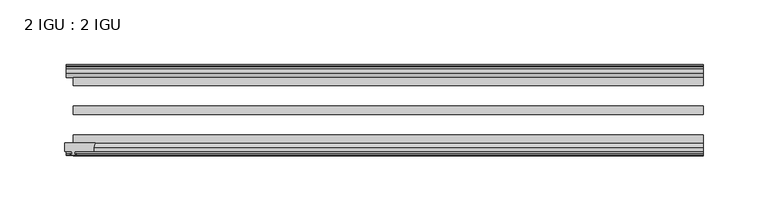
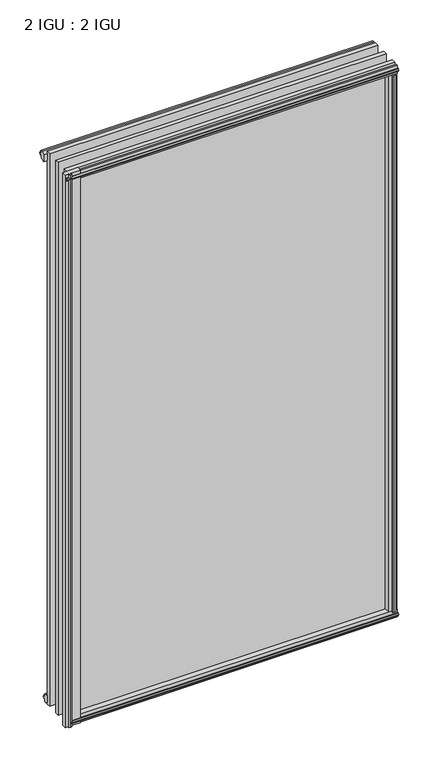
"""IFC4 building model written with IfcOpenShell, lengths in millimetres: plate geometry, 2 IGU : 2 IGU."""

from ifc_helpers import new_model, si_unit, point, frame, frame_2d, origin, origin_with_axes, place, context, project, spatial, polyline, circle_curve, trimmed, segment, composite_curve, outline, extrude, source, transform, mapped, element, save


def plate_2_igu_2_igu_87042c45(model_context):
    return source(origin(), model_context, "Body", "SweptSolid", [
        extrude(outline(polyline([(232.6751267, -10.4746158), (234.8526558, -9.7670937), (237.0301848, -10.4746158), (237.0301848, -11.27583), (235.6146558, -10.8158968), (235.9956558, -13.1960937), (240.4406558, -13.1960937), (240.4406558, -16.1424937), (237.6063136, -19.5460937), (226.7849377, -19.5460937), (228.5026558, -13.1960937), (233.7096558, -13.1960937), (234.0906558, -10.8158968), (232.6751267, -11.27583), (232.6751267, -10.4746158)])), origin_with_axes(), (0.0, 0.0, 1.0), 838.2),
        extrude(outline(composite_curve([segment(polyline([(-250.2069558, -69.9960936), (-226.9982271, -69.9960936)]), True, "CONTINUOUS"), segment(trimmed(circle_curve(frame_2d((-215.6408301, -75.0067563)), 12.4135896), [point((-226.9982271, -69.9960936))], [point((-227.9819558, -76.3460936))], True, "CARTESIAN"), True, "CONTINUOUS"), segment(polyline([(-227.9819558, -76.3460936), (-242.5869558, -76.3460936), (-242.9044558, -78.4506955), (-241.6858499, -78.124171), (-241.4820558, -78.884741), (-243.8569558, -79.5210936), (-246.2318558, -78.884741), (-246.0280617, -78.124171), (-244.8094558, -78.4506955), (-245.1269558, -76.3460936), (-250.2069558, -76.3460936), (-250.2069558, -69.9960936)]), True, "CONTINUOUS")], self_intersect=False)), frame((0.0, 0.0, -12.4587), z_axis=(0.0, 0.0, 1.0), x_axis=(1.0, 0.0, 0.0)), (0.0, 0.0, 1.0), 863.1174),
        extrude(outline(polyline([(-19.5460937, 1.5938931), (-13.1960937, -0.123825), (-13.1960937, -5.330825), (-10.8158968, -5.711825), (-11.27583, -4.2962959), (-10.4746158, -4.2962959), (-9.7670937, -6.473825), (-10.4746158, -8.6513541), (-11.27583, -8.6513541), (-10.8158968, -7.235825), (-13.1960937, -7.616825), (-13.1960937, -12.061825), (-16.1424937, -12.061825), (-19.5460937, -9.2274828), (-19.5460937, 1.5938931)])), frame((-243.8569558, 0.0, 0.0), z_axis=(1.0, 0.0, 0.0), x_axis=(0.0, 1.0, 0.0)), (0.0, 0.0, 1.0), 484.5389115),
        extrude(outline(polyline([(-69.9960936, 2.1145931), (-69.9960936, -8.7067828), (-73.3996936, -11.541125), (-76.3460936, -11.541125), (-76.3460936, -7.096125), (-78.7262905, -6.715125), (-78.2663573, -8.1306541), (-79.0675715, -8.1306541), (-79.7750936, -5.953125), (-79.0675715, -3.7755959), (-78.2663573, -3.7755959), (-78.7262905, -5.191125), (-76.3460936, -4.810125), (-76.3460936, 0.396875), (-69.9960936, 2.1145931)])), frame((-243.8569558, 0.0, 0.0), z_axis=(1.0, 0.0, 0.0), x_axis=(0.0, 1.0, 0.0)), (0.0, 0.0, 1.0), 484.5389115),
        extrude(outline(polyline([(-10.8158968, 845.8327), (-11.27583, 847.2482291), (-10.4746158, 847.2482291), (-9.7670937, 845.0707), (-10.4746158, 842.8931709), (-11.27583, 842.8931709), (-10.8158968, 844.3087), (-13.1960937, 843.9277), (-13.1960937, 838.7207), (-19.5460937, 837.0029819), (-19.5460937, 847.8243578), (-16.1424937, 850.6587), (-13.1960937, 850.6587), (-13.1960937, 846.2137), (-10.8158968, 845.8327)])), frame((-249.2030617, 0.0, 0.0), z_axis=(1.0, 0.0, 0.0), x_axis=(0.0, 1.0, 0.0)), (0.0, 0.0, 1.0), 489.8850174),
        extrude(outline(polyline([(-76.3460936, 850.138), (-73.3996936, 850.138), (-69.9960936, 847.3036578), (-69.9960936, 836.4822819), (-76.3460936, 838.2), (-76.3460936, 843.407), (-78.7262905, 843.788), (-78.2663573, 842.3724709), (-79.0675715, 842.3724709), (-79.7750936, 844.55), (-79.0675715, 846.7275291), (-78.2663573, 846.7275291), (-78.7262905, 845.312), (-76.3460936, 845.693), (-76.3460936, 850.138)])), frame((-249.2030617, 0.0, 0.0), z_axis=(1.0, 0.0, 0.0), x_axis=(0.0, 1.0, 0.0)), (0.0, 0.0, 1.0), 489.8850174),
        extrude(outline(polyline([(226.2642377, -69.9960936), (237.0856136, -69.9960936), (239.9199558, -73.3996936), (239.9199558, -76.3460936), (235.4749558, -76.3460936), (235.0939558, -78.7262905), (236.5094848, -78.2663573), (236.5094848, -79.0675715), (234.3319558, -79.7750936), (232.1544267, -79.0675715), (232.1544267, -78.2663573), (233.5699558, -78.7262905), (233.1889558, -76.3460936), (227.9819558, -76.3460936), (226.2642377, -69.9960936)])), origin_with_axes(), (0.0, 0.0, 1.0), 838.2),
        extrude(outline(polyline([(-234.8526558, -9.7670937), (-232.6751267, -10.4746158), (-232.6751267, -11.27583), (-234.0906558, -10.8158968), (-233.7096558, -13.1960937), (-228.5026558, -13.1960937), (-226.7849377, -19.5460937), (-237.6063136, -19.5460937), (-240.4406558, -16.1424937), (-240.4406558, -13.1960937), (-235.9956558, -13.1960937), (-235.6146558, -10.8158968), (-237.0301848, -11.27583), (-237.0301848, -10.4746158), (-234.8526558, -9.7670937)])), origin_with_axes(), (0.0, 0.0, 1.0), 838.2),
        extrude(outline(polyline([(240.6819558, -19.5460937), (240.6819558, -25.8960937), (-243.8569558, -25.8960937), (-243.8569558, -19.5460937), (240.6819558, -19.5460937)])), frame((0.0, 0.0, -12.303125), z_axis=(0.0, 0.0, 1.0), x_axis=(1.0, 0.0, 0.0)), (0.0, 0.0, 1.0), 863.203125),
        extrude(outline(polyline([(-243.8569558, -41.5960937), (240.6819558, -41.5960937), (240.6819558, -47.9460937), (-243.8569558, -47.9460937), (-243.8569558, -41.5960937)])), frame((0.0, 0.0, -12.303125), z_axis=(0.0, 0.0, 1.0), x_axis=(1.0, 0.0, 0.0)), (0.0, 0.0, 1.0), 863.203125),
        extrude(outline(polyline([(240.6819558, -63.6460936), (240.6819558, -69.9960936), (-243.8569558, -69.9960936), (-243.8569558, -63.6460936), (240.6819558, -63.6460936)])), frame((0.0, 0.0, -12.303125), z_axis=(0.0, 0.0, 1.0), x_axis=(1.0, 0.0, 0.0)), (0.0, 0.0, 1.0), 863.203125),
    ])


if __name__ == "__main__":
    model = new_model("IFC4")
    model_context = context("Model", 3, world=origin())
    ifc_project = project(units=[si_unit("LENGTHUNIT", "METRE", prefix="MILLI")], contexts=[model_context])
    site = spatial("IfcSite", under=ifc_project)
    building = spatial("IfcBuilding", under=site)
    placement = place(None, origin())
    plate_2_igu_2_igu_shape = plate_2_igu_2_igu_87042c45(model_context)
    element("IfcPlate", 1, ObjectType="2 IGU : 2 IGU", at=placement, inside=building, context=model_context, shape_type="MappedRepresentation", body=[
        mapped(plate_2_igu_2_igu_shape, transform((0.0, 0.0, 0.0), x_axis=(1.0, 0.0, 0.0), y_axis=(0.0, 1.0, 0.0), z_axis=(0.0, 0.0, 1.0))),
    ])
    save(model, "model.ifc")
